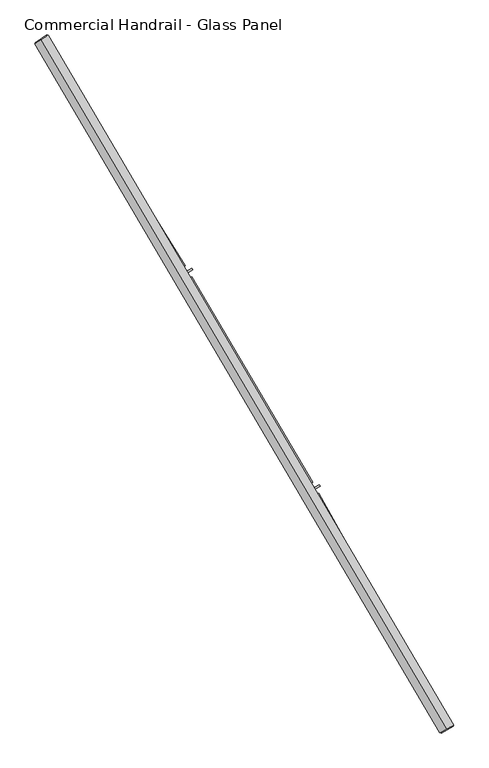
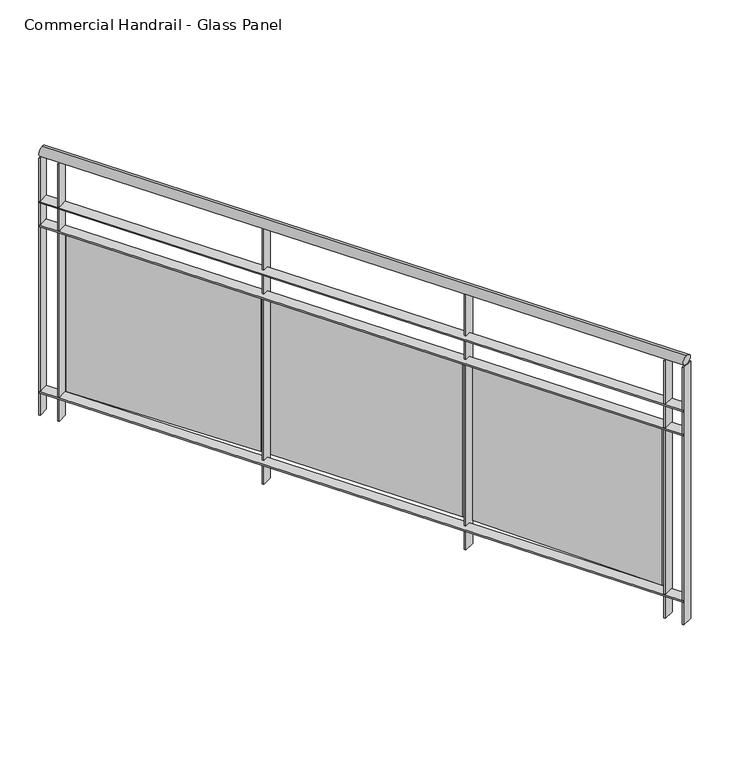
"""IFC4 building model written with IfcOpenShell, lengths in millimetres: railing geometry, Commercial Handrail - Glass Panel."""

from ifc_helpers import new_model, si_unit, point, frame, origin, place, context, project, spatial, polyline, circle_curve, ellipse_curve, trimmed, outline, extrude, source, transform, mapped, element, save
from ifc_brep_helpers import plane_surface, cylinder_surface, revolved_surface, advanced_brep


def commercial_handrail_glass_panel_09392ce0(model_context):
    return source(origin(), model_context, "Body", "SolidModel", [
        advanced_brep(
        [(177076.0575657, -31977.9006077, 19682.5), (175783.9289157, -29780.3413827, 19682.5), (175783.9289157, -29780.3413827, 19717.5), (177076.0575657, -31977.9006077, 19717.5)],
        [
            (0, 1, circle_curve(frame((146629.3968491, -48401.3811221, 19682.5), z_axis=(0.0, 0.0, 1.0), x_axis=(0.8427679503753938, 0.5382770493157384, 0.0)), 34593.7835601)),
            (1, 2, ellipse_curve(frame((175783.9289157, -29780.3413827, 19700.0), z_axis=(0.5382770493157334, -0.842767950375397, 0.0), x_axis=(-0.842767950375397, -0.5382770493157334, 0.0)), 25.0, 17.5)),
            (2, 3, circle_curve(frame((146629.3968491, -48401.3811221, 19717.5), z_axis=(0.0, 0.0, -1.0), x_axis=(0.8427679503753938, 0.5382770493157384, 0.0)), 34593.7835601)),
            (3, 0, ellipse_curve(frame((177076.0575657, -31977.9006077, 19700.0), z_axis=(-0.47475236369846063, 0.8801194198304708, 0.0), x_axis=(-0.8801194198304708, -0.47475236369846063, 0.0)), 25.0, 17.5)),
            (2, 1, ellipse_curve(frame((175783.9289157, -29780.3413827, 19700.0), z_axis=(0.5382770493157334, -0.842767950375397, 0.0), x_axis=(-0.842767950375397, -0.5382770493157334, 0.0)), 25.0, 17.5)),
            (0, 3, ellipse_curve(frame((177076.0575657, -31977.9006077, 19700.0), z_axis=(-0.47475236369846063, 0.8801194198304708, 0.0), x_axis=(-0.8801194198304708, -0.47475236369846063, 0.0)), 25.0, 17.5)),
        ],
        [
            revolved_surface(trimmed(ellipse_curve(frame((175783.9289157, -29780.3413827, 19700.0), z_axis=(-0.5382770493157384, 0.8427679503753938, 0.0), x_axis=(0.0, 0.0, -1.0)), 17.5, 25.0), [point((175783.9289157, -29780.3413827, 19717.5))], [point((175783.9289157, -29780.3413827, 19682.5))], True, "CARTESIAN"), (146629.3968491, -48401.3811221, 19700.0), (0.0, 0.0, -1.0)),
            revolved_surface(trimmed(ellipse_curve(frame((175783.9289157, -29780.3413827, 19700.0), z_axis=(-0.5382770493157384, 0.8427679503753938, 0.0), x_axis=(0.0, 0.0, -1.0)), 17.5, 25.0), [point((175783.9289157, -29780.3413827, 19682.5))], [point((175783.9289157, -29780.3413827, 19717.5))], True, "CARTESIAN"), (146629.3968491, -48401.3811221, 19700.0), (0.0, 0.0, -1.0)),
            plane_surface(frame((175783.9289157, -29780.3413827, 19700.0), z_axis=(-0.5382770493157384, 0.8427679503753938, 0.0), x_axis=(0.8427679503753938, 0.5382770493157384, 0.0))),
            plane_surface(frame((177076.0575657, -31977.9006077, 19700.0), z_axis=(0.4747523636984607, -0.8801194198304708, 0.0), x_axis=(0.8801194198304708, 0.4747523636984607, 0.0))),
        ],
        [
            (0, [[1, 2, 3, 4]]),
            (1, [[-3, 5, -1, 6]]),
            (2, [[-2, -5]]),
            (3, [[-6, -4]]),
        ],
    ),
        advanced_brep(
        [(177095.8602527, -31967.2186795, 19500.0), (175802.8911946, -29768.2301491, 19500.0), (175764.9666369, -29792.4526163, 19500.0), (177056.2548788, -31988.5825359, 19500.0), (177095.8602527, -31967.2186795, 19494.0), (175802.8911946, -29768.2301491, 19494.0), (177056.2548788, -31988.5825359, 19494.0), (175764.9666369, -29792.4526163, 19494.0)],
        [
            (0, 1, circle_curve(frame((146629.3968491, -48401.3811221, 19500.0), z_axis=(0.0, 0.0, 1.0), x_axis=(0.8427679503753938, 0.5382770493157384, 0.0)), 34616.2835601)),
            (1, 2),
            (2, 3, circle_curve(frame((146629.3968491, -48401.3811221, 19500.0), z_axis=(0.0, 0.0, -1.0), x_axis=(0.8427679503753938, 0.5382770493157384, 0.0)), 34571.2835601)),
            (3, 0),
            (4, 5, circle_curve(frame((146629.3968491, -48401.3811221, 19494.0), z_axis=(0.0, 0.0, 1.0), x_axis=(0.8427679503753938, 0.5382770493157384, 0.0)), 34616.2835601)),
            (5, 1),
            (0, 4),
            (6, 7, circle_curve(frame((146629.3968491, -48401.3811221, 19494.0), z_axis=(0.0, 0.0, 1.0), x_axis=(0.8427679503753938, 0.5382770493157384, 0.0)), 34571.2835601)),
            (7, 5),
            (4, 6),
            (2, 7),
            (6, 3),
        ],
        [
            plane_surface(frame((146629.3968491, -48401.3811221, 19500.0), z_axis=(0.0, 0.0, 1.0), x_axis=(0.8427679503753938, 0.5382770493157384, 0.0))),
            cylinder_surface(frame((146629.3968491, -48401.3811221, 19500.0), z_axis=(0.0, 0.0, -1.0), x_axis=(0.8427679503753938, 0.5382770493157384, 0.0)), 34616.2835601),
            plane_surface(frame((146629.3968491, -48401.3811221, 19494.0), z_axis=(0.0, 0.0, -1.0), x_axis=(0.8427679503753938, 0.5382770493157384, 0.0))),
            revolved_surface(polyline([(175764.96663689203, -29792.45261631168, 19494.0), (175764.96663689203, -29792.45261631168, 19500.0)]), (146629.3968491, -48401.3811221, 19500.0), (0.0, 0.0, -1.0)),
            plane_surface(frame((175783.9289157, -29780.3413827, 19500.0), z_axis=(-0.5382770493157384, 0.8427679503753938, 0.0), x_axis=(0.8427679503753938, 0.5382770493157384, 0.0))),
            plane_surface(frame((177076.0575657, -31977.9006077, 19500.0), z_axis=(0.4747523636984607, -0.8801194198304708, 0.0), x_axis=(0.8801194198304708, 0.4747523636984607, 0.0))),
        ],
        [
            (0, [[1, 2, 3, 4]]),
            (1, [[5, 6, -1, 7]]),
            (2, [[8, 9, -5, 10]]),
            (3, [[-3, 11, -8, 12]]),
            (4, [[-2, -6, -9, -11]]),
            (5, [[-12, -10, -7, -4]]),
        ],
    ),
        advanced_brep(
        [(177095.8602527, -31967.2186795, 19400.0), (175802.8911946, -29768.2301491, 19400.0), (175764.9666369, -29792.4526163, 19400.0), (177056.2548788, -31988.5825359, 19400.0), (177095.8602527, -31967.2186795, 19394.0), (175802.8911946, -29768.2301491, 19394.0), (177056.2548788, -31988.5825359, 19394.0), (175764.9666369, -29792.4526163, 19394.0)],
        [
            (0, 1, circle_curve(frame((146629.3968491, -48401.3811221, 19400.0), z_axis=(0.0, 0.0, 1.0), x_axis=(0.8427679503753938, 0.5382770493157384, 0.0)), 34616.2835601)),
            (1, 2),
            (2, 3, circle_curve(frame((146629.3968491, -48401.3811221, 19400.0), z_axis=(0.0, 0.0, -1.0), x_axis=(0.8427679503753938, 0.5382770493157384, 0.0)), 34571.2835601)),
            (3, 0),
            (4, 5, circle_curve(frame((146629.3968491, -48401.3811221, 19394.0), z_axis=(0.0, 0.0, 1.0), x_axis=(0.8427679503753938, 0.5382770493157384, 0.0)), 34616.2835601)),
            (5, 1),
            (0, 4),
            (6, 7, circle_curve(frame((146629.3968491, -48401.3811221, 19394.0), z_axis=(0.0, 0.0, 1.0), x_axis=(0.8427679503753938, 0.5382770493157384, 0.0)), 34571.2835601)),
            (7, 5),
            (4, 6),
            (2, 7),
            (6, 3),
        ],
        [
            plane_surface(frame((146629.3968491, -48401.3811221, 19400.0), z_axis=(0.0, 0.0, 1.0), x_axis=(0.8427679503753938, 0.5382770493157384, 0.0))),
            cylinder_surface(frame((146629.3968491, -48401.3811221, 19400.0), z_axis=(0.0, 0.0, -1.0), x_axis=(0.8427679503753938, 0.5382770493157384, 0.0)), 34616.2835601),
            plane_surface(frame((146629.3968491, -48401.3811221, 19394.0), z_axis=(0.0, 0.0, -1.0), x_axis=(0.8427679503753938, 0.5382770493157384, 0.0))),
            revolved_surface(polyline([(175764.96663689203, -29792.45261631168, 19394.0), (175764.96663689203, -29792.45261631168, 19400.0)]), (146629.3968491, -48401.3811221, 19400.0), (0.0, 0.0, -1.0)),
            plane_surface(frame((175783.9289157, -29780.3413827, 19400.0), z_axis=(-0.5382770493157384, 0.8427679503753938, 0.0), x_axis=(0.8427679503753938, 0.5382770493157384, 0.0))),
            plane_surface(frame((177076.0575657, -31977.9006077, 19400.0), z_axis=(0.4747523636984607, -0.8801194198304708, 0.0), x_axis=(0.8801194198304708, 0.4747523636984607, 0.0))),
        ],
        [
            (0, [[1, 2, 3, 4]]),
            (1, [[5, 6, -1, 7]]),
            (2, [[8, 9, -5, 10]]),
            (3, [[-3, 11, -8, 12]]),
            (4, [[-2, -6, -9, -11]]),
            (5, [[-12, -10, -7, -4]]),
        ],
    ),
        advanced_brep(
        [(177095.8602527, -31967.2186795, 18700.0), (175802.8911946, -29768.2301491, 18700.0), (175764.9666369, -29792.4526163, 18700.0), (177056.2548788, -31988.5825359, 18700.0), (177095.8602527, -31967.2186795, 18694.0), (175802.8911946, -29768.2301491, 18694.0), (177056.2548788, -31988.5825359, 18694.0), (175764.9666369, -29792.4526163, 18694.0)],
        [
            (0, 1, circle_curve(frame((146629.3968491, -48401.3811221, 18700.0), z_axis=(0.0, 0.0, 1.0), x_axis=(0.8427679503753938, 0.5382770493157384, 0.0)), 34616.2835601)),
            (1, 2),
            (2, 3, circle_curve(frame((146629.3968491, -48401.3811221, 18700.0), z_axis=(0.0, 0.0, -1.0), x_axis=(0.8427679503753938, 0.5382770493157384, 0.0)), 34571.2835601)),
            (3, 0),
            (4, 5, circle_curve(frame((146629.3968491, -48401.3811221, 18694.0), z_axis=(0.0, 0.0, 1.0), x_axis=(0.8427679503753938, 0.5382770493157384, 0.0)), 34616.2835601)),
            (5, 1),
            (0, 4),
            (6, 7, circle_curve(frame((146629.3968491, -48401.3811221, 18694.0), z_axis=(0.0, 0.0, 1.0), x_axis=(0.8427679503753938, 0.5382770493157384, 0.0)), 34571.2835601)),
            (7, 5),
            (4, 6),
            (2, 7),
            (6, 3),
        ],
        [
            plane_surface(frame((146629.3968491, -48401.3811221, 18700.0), z_axis=(0.0, 0.0, 1.0), x_axis=(0.8427679503753938, 0.5382770493157384, 0.0))),
            cylinder_surface(frame((146629.3968491, -48401.3811221, 18700.0), z_axis=(0.0, 0.0, -1.0), x_axis=(0.8427679503753938, 0.5382770493157384, 0.0)), 34616.2835601),
            plane_surface(frame((146629.3968491, -48401.3811221, 18694.0), z_axis=(0.0, 0.0, -1.0), x_axis=(0.8427679503753938, 0.5382770493157384, 0.0))),
            revolved_surface(polyline([(175764.96663689203, -29792.45261631168, 18694.0), (175764.96663689203, -29792.45261631168, 18700.0)]), (146629.3968491, -48401.3811221, 18700.0), (0.0, 0.0, -1.0)),
            plane_surface(frame((175783.9289157, -29780.3413827, 18700.0), z_axis=(-0.5382770493157384, 0.8427679503753938, 0.0), x_axis=(0.8427679503753938, 0.5382770493157384, 0.0))),
            plane_surface(frame((177076.0575657, -31977.9006077, 18700.0), z_axis=(0.4747523636984607, -0.8801194198304708, 0.0), x_axis=(0.8801194198304708, 0.4747523636984607, 0.0))),
        ],
        [
            (0, [[1, 2, 3, 4]]),
            (1, [[5, 6, -1, 7]]),
            (2, [[8, 9, -5, 10]]),
            (3, [[-3, 11, -8, 12]]),
            (4, [[-2, -6, -9, -11]]),
            (5, [[-12, -10, -7, -4]]),
        ],
    ),
        extrude(outline(polyline([(177019.2025619, -31920.0776321), (177058.7615677, -31898.6280386), (177061.6215135, -31903.9025727), (177022.0625077, -31925.3521662), (177019.2025619, -31920.0776321)])), frame((0.0, 0.0, 18600.0), z_axis=(0.0, 0.0, 1.0), x_axis=(1.0, 0.0, 0.0)), (0.0, 0.0, 1.0), 1082.1192282),
        extrude(outline(polyline([(176667.9811331, -31226.6066951), (177037.9417222, -31890.4810526), (177027.4594955, -31896.3225355), (176657.4989064, -31232.4481781), (176667.9811331, -31226.6066951)])), frame((0.0, 0.0, 18720.0), z_axis=(0.0, 0.0, 1.0), x_axis=(1.0, 0.0, 0.0)), (0.0, 0.0, 1.0), 660.0),
        extrude(outline(polyline([(176629.9717234, -31221.766365), (176669.0241625, -31199.4077648), (176672.0053092, -31204.6147567), (176632.9528701, -31226.9733569), (176629.9717234, -31221.766365)])), frame((0.0, 0.0, 18600.0), z_axis=(0.0, 0.0, 1.0), x_axis=(1.0, 0.0, 0.0)), (0.0, 0.0, 1.0), 1082.1192282),
        extrude(outline(polyline([(176262.8087433, -30536.6023126), (176648.0214972, -31191.7443844), (176637.6771487, -31197.8266911), (176252.4643948, -30542.6846193), (176262.8087433, -30536.6023126)])), frame((0.0, 0.0, 18720.0), z_axis=(0.0, 0.0, 1.0), x_axis=(1.0, 0.0, 0.0)), (0.0, 0.0, 1.0), 660.0),
        extrude(outline(polyline([(176224.6975714, -30532.6421866), (176263.2225599, -30509.3865364), (176266.3233132, -30514.5232015), (176227.7983248, -30537.7788517), (176224.6975714, -30532.6421866)])), frame((0.0, 0.0, 18600.0), z_axis=(0.0, 0.0, 1.0), x_axis=(1.0, 0.0, 0.0)), (0.0, 0.0, 1.0), 1082.1192282),
        extrude(outline(polyline([(175841.7893867, -29856.1514219), (176242.0483063, -30502.2108598), (176231.8473678, -30508.5307375), (175831.5884482, -29862.4712996), (175841.7893867, -29856.1514219)])), frame((0.0, 0.0, 18720.0), z_axis=(0.0, 0.0, 1.0), x_axis=(1.0, 0.0, 0.0)), (0.0, 0.0, 1.0), 660.0),
        extrude(outline(polyline([(175803.5968332, -29853.0736178), (175841.5737692, -29828.9333539), (175844.792471, -29833.9969454), (175806.8155351, -29858.1372092), (175803.5968332, -29853.0736178)])), frame((0.0, 0.0, 18600.0), z_axis=(0.0, 0.0, 1.0), x_axis=(1.0, 0.0, 0.0)), (0.0, 0.0, 1.0), 1082.1192282),
        extrude(outline(polyline([(177054.8306217, -31985.9421776), (177094.4359956, -31964.5783212), (177097.2845098, -31969.8590378), (177057.6791359, -31991.2228941), (177054.8306217, -31985.9421776)])), frame((0.0, 0.0, 18600.0), z_axis=(0.0, 0.0, 1.0), x_axis=(1.0, 0.0, 0.0)), (0.0, 0.0, 1.0), 1082.1192282),
        extrude(outline(polyline([(175763.3518057, -29789.9243125), (175801.2763635, -29765.7018453), (175804.5060258, -29770.758453), (175766.581468, -29794.9809202), (175763.3518057, -29789.9243125)])), frame((0.0, 0.0, 18600.0), z_axis=(0.0, 0.0, 1.0), x_axis=(1.0, 0.0, 0.0)), (0.0, 0.0, 1.0), 1082.1192282),
    ])


if __name__ == "__main__":
    model = new_model("IFC4")
    model_context = context("Model", 3, world=origin())
    ifc_project = project(units=[si_unit("LENGTHUNIT", "METRE", prefix="MILLI")], contexts=[model_context])
    site = spatial("IfcSite", under=ifc_project)
    building = spatial("IfcBuilding", under=site)
    placement = place(None, origin())
    commercial_handrail_glass_panel_shape = commercial_handrail_glass_panel_09392ce0(model_context)
    element("IfcRailing", 1, ObjectType="Commercial Handrail - Glass Panel", at=placement, inside=building, context=model_context, shape_type="MappedRepresentation", body=[
        mapped(commercial_handrail_glass_panel_shape, transform((0.0, 0.0, 0.0), x_axis=(1.0, 0.0, 0.0), y_axis=(0.0, 1.0, 0.0), z_axis=(0.0, 0.0, 1.0))),
    ])
    save(model, "model.ifc")
